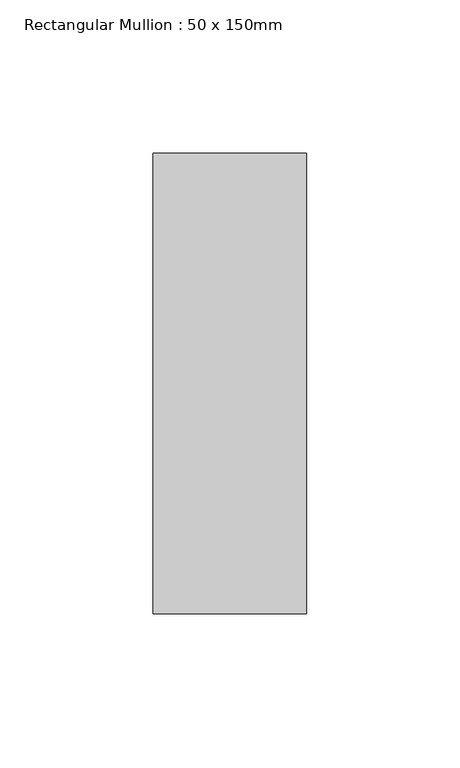
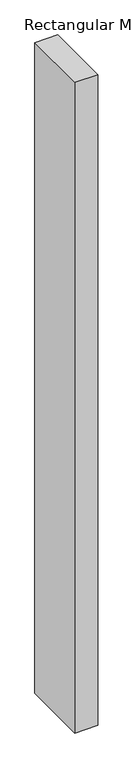
"""IFC4 building model written with IfcOpenShell, lengths in millimetres: member geometry, Rectangular Mullion : 50 x 150mm."""

from ifc_helpers import new_model, si_unit, frame, origin, place, context, project, spatial, polyline, outline, extrude, source, transform, mapped, element, save


def rectangular_mullion_50_x_150mm_6d614896(model_context):
    return source(origin(), model_context, "Body", "SweptSolid", [
        extrude(outline(polyline([(0.0, 75.0), (0.0, -75.0), (-50.0, -75.0), (-50.0, 75.0), (0.0, 75.0)])), frame((0.0, 0.0, -1494.9500293), z_axis=(0.0, 0.0, 1.0), x_axis=(1.0, 0.0, 0.0)), (0.0, 0.0, 1.0), 1494.9500293),
    ])


if __name__ == "__main__":
    model = new_model("IFC4")
    model_context = context("Model", 3, world=origin())
    ifc_project = project(units=[si_unit("LENGTHUNIT", "METRE", prefix="MILLI")], contexts=[model_context])
    site = spatial("IfcSite", under=ifc_project)
    building = spatial("IfcBuilding", under=site)
    placement = place(None, origin())
    rectangular_mullion_50_x_150mm_shape = rectangular_mullion_50_x_150mm_6d614896(model_context)
    element("IfcMember", 1, ObjectType="Rectangular Mullion : 50 x 150mm", at=placement, inside=building, context=model_context, shape_type="MappedRepresentation", body=[
        mapped(rectangular_mullion_50_x_150mm_shape, transform((0.0, 0.0, 0.0), x_axis=(1.0, 0.0, 0.0), y_axis=(0.0, 1.0, 0.0), z_axis=(0.0, 0.0, 1.0))),
    ])
    save(model, "model.ifc")
